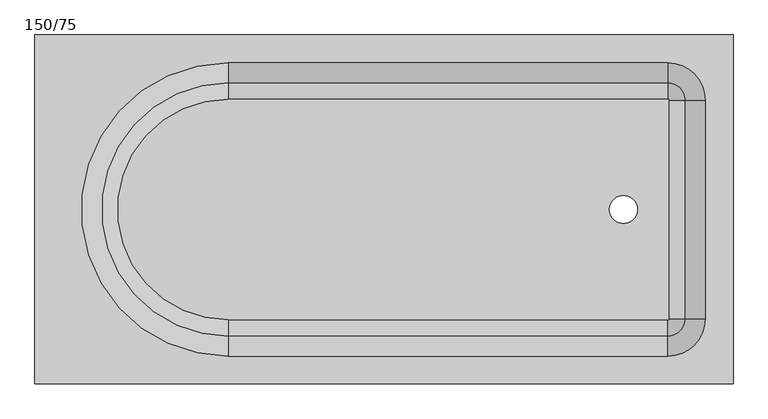
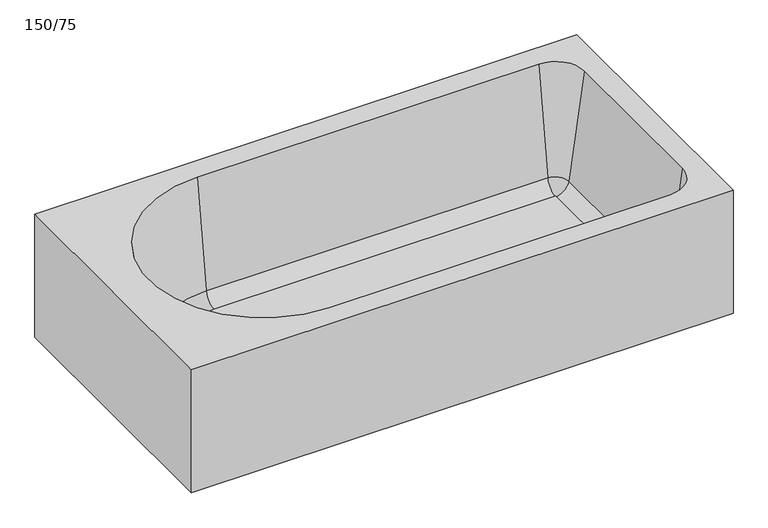
"""IFC4 building model written with IfcOpenShell, lengths in millimetres: flow terminal geometry, 150/75."""

from ifc_helpers import new_model, si_unit, point, frame, origin, place, context, project, spatial, polyline, circle_curve, ellipse_curve, trimmed, source, transform, mapped, element, save
from ifc_brep_helpers import plane_surface, revolved_surface, advanced_brep


def flow_terminal_150_75_c21da9bc(model_context):
    return source(origin(), model_context, "Body", "AdvancedBrep", [
        advanced_brep(
        [(-335.0, -237.1255814, 20.0), (610.0, -237.1255814, 20.0), (612.1255814, -235.0, 20.0), (612.1255814, 235.0, 20.0), (610.0, 237.1255814, 20.0), (-335.0, 237.1255814, 20.0), (544.3337909, 0.0, 20.0), (484.3337909, 0.0, 20.0), (750.0, -375.0, 0.0), (-750.0, -375.0, 0.0), (-750.0, 375.0, 0.0), (750.0, 375.0, 0.0), (484.3337909, 0.0, 0.0), (544.3337909, 0.0, 0.0), (750.0, -375.0, 360.0), (-750.0, -375.0, 360.0), (-750.0, 375.0, 360.0), (750.0, 375.0, 360.0), (-335.0, 315.0, 360.0), (610.0, 315.0, 360.0), (690.0, 235.0, 360.0), (690.0, -235.0, 360.0), (610.0, -315.0, 360.0), (-335.0, -315.0, 360.0), (-335.0, 271.8563387, 53.0168987), (-335.0, -271.8563387, 53.0168987), (610.0, 271.8563387, 53.0168987), (646.8563387, 235.0, 53.0168987), (646.8563387, -235.0, 53.0168987), (610.0, -271.8563387, 53.0168987)],
        [
            (0, 1),
            (1, 2, circle_curve(frame((610.0, -235.0, 20.0), z_axis=(0.0, 0.0, 1.0), x_axis=(1.0, 0.0, 0.0)), 2.1255814)),
            (2, 3),
            (3, 4, circle_curve(frame((610.0, 235.0, 20.0), z_axis=(0.0, 0.0, 1.0), x_axis=(0.0, 1.0, 0.0)), 2.1255814)),
            (4, 5),
            (5, 0, circle_curve(frame((-335.0, 0.0, 20.0), z_axis=(0.0, 0.0, 1.0), x_axis=(0.0, -1.0, 0.0)), 237.1255814)),
            (6, 7, circle_curve(frame((514.3337909, 0.0, 20.0), z_axis=(0.0, 0.0, -1.0), x_axis=(1.0, 0.0, 0.0)), 30.0)),
            (7, 6, circle_curve(frame((514.3337909, 0.0, 20.0), z_axis=(0.0, 0.0, -1.0), x_axis=(1.0, 0.0, 0.0)), 30.0)),
            (8, 9),
            (9, 10),
            (10, 11),
            (11, 8),
            (12, 13, circle_curve(frame((514.3337909, 0.0, 0.0), z_axis=(0.0, 0.0, 1.0), x_axis=(1.0, 0.0, 0.0)), 30.0)),
            (13, 12, circle_curve(frame((514.3337909, 0.0, 0.0), z_axis=(0.0, 0.0, 1.0), x_axis=(1.0, 0.0, 0.0)), 30.0)),
            (8, 14),
            (14, 15),
            (15, 9),
            (15, 16),
            (16, 10),
            (16, 17),
            (17, 11),
            (17, 14),
            (18, 19),
            (19, 20, circle_curve(frame((610.0, 235.0, 360.0), z_axis=(0.0, 0.0, -1.0), x_axis=(0.0, 1.0, 0.0)), 80.0)),
            (20, 21),
            (21, 22, circle_curve(frame((610.0, -235.0, 360.0), z_axis=(0.0, 0.0, -1.0), x_axis=(1.0, 0.0, 0.0)), 80.0)),
            (22, 23),
            (23, 18, circle_curve(frame((-335.0, 0.0, 360.0), z_axis=(0.0, 0.0, -1.0), x_axis=(0.0, -1.0, 0.0)), 315.0)),
            (24, 18),
            (23, 25),
            (25, 24, circle_curve(frame((-335.0, 0.0, 53.0168987), z_axis=(0.0, 0.0, -1.0), x_axis=(0.0, -1.0, 0.0)), 271.8563387)),
            (25, 0, circle_curve(frame((-335.0, -233.6991388, 58.3795434), z_axis=(1.0, 0.0, 0.0), x_axis=(0.0, 1.0, 0.0)), 38.5321925)),
            (5, 24, circle_curve(frame((-335.0, 233.6991388, 58.3795434), z_axis=(1.0, 0.0, 0.0), x_axis=(0.0, -1.0, 0.0)), 38.5321925)),
            (24, 26),
            (26, 19),
            (4, 26, circle_curve(frame((610.0, 233.6991388, 58.3795434), z_axis=(1.0, 0.0, 0.0), x_axis=(0.0, -1.0, 0.0)), 38.5321925)),
            (26, 27, circle_curve(frame((610.0, 235.0, 53.0168987), z_axis=(0.0, 0.0, -1.0), x_axis=(0.0, 1.0, 0.0)), 36.8563387)),
            (27, 20),
            (3, 27, circle_curve(frame((608.6991388, 235.0, 58.3795434), z_axis=(0.0, -1.0, 0.0), x_axis=(-1.0, 0.0, 0.0)), 38.5321925)),
            (27, 28),
            (28, 21),
            (2, 28, circle_curve(frame((608.6991388, -235.0, 58.3795434), z_axis=(0.0, -1.0, 0.0), x_axis=(-1.0, 0.0, 0.0)), 38.5321925)),
            (28, 29, circle_curve(frame((610.0, -235.0, 53.0168987), z_axis=(0.0, 0.0, -1.0), x_axis=(1.0, 0.0, 0.0)), 36.8563387)),
            (29, 22),
            (1, 29, circle_curve(frame((610.0, -233.6991388, 58.3795434), z_axis=(-1.0, 0.0, 0.0), x_axis=(0.0, 1.0, 0.0)), 38.5321925)),
            (29, 25),
            (13, 6),
            (7, 12),
        ],
        [
            plane_surface(frame((-750.0, -375.0, 20.0), z_axis=(0.0, 0.0, 1.0), x_axis=(-1.0, 0.0, 0.0))),
            plane_surface(frame((-750.0, -375.0, 0.0), z_axis=(0.0, 0.0, -1.0), x_axis=(1.0, 0.0, 0.0))),
            plane_surface(frame((750.0, -375.0, 20.0), z_axis=(0.0, -1.0, 0.0), x_axis=(0.0, 0.0, -1.0))),
            plane_surface(frame((-750.0, -375.0, 20.0), z_axis=(-1.0, 0.0, 0.0), x_axis=(0.0, 0.0, -1.0))),
            plane_surface(frame((-750.0, 375.0, 20.0), z_axis=(0.0, 1.0, 0.0), x_axis=(0.0, 0.0, -1.0))),
            plane_surface(frame((750.0, 375.0, 20.0), z_axis=(1.0, 0.0, 0.0), x_axis=(0.0, 0.0, -1.0))),
            plane_surface(frame((-750.0, -375.0, 360.0), z_axis=(0.0, 0.0, 1.0), x_axis=(-1.0, 0.0, 0.0))),
            revolved_surface(polyline([(-335.0, -315.0, 360.0), (-335.0, -271.8563387, 53.0168987)]), (-335.0, 0.0, 0.0), (0.0, 0.0, 1.0)),
            revolved_surface(trimmed(ellipse_curve(frame((-335.0, -233.6991388, 58.3795434), z_axis=(1.0, 0.0, 0.0), x_axis=(0.0, 1.0, 0.0)), 38.5321925, 38.5321925), [point((-335.0, -271.8563387, 53.0168987))], [point((-335.0, -237.1255814, 20.0))], True, "CARTESIAN"), (-335.0, 0.0, 0.0), (0.0, 0.0, 1.0)),
            plane_surface(frame((-335.0, 315.0, 360.0), z_axis=(0.0, -0.9902680687415707, 0.13917310096006275), x_axis=(1.0, 0.0, 0.0))),
            revolved_surface(polyline([(610.0, 195.16694629999998, 58.3795434), (-335.0, 195.16694629999998, 58.3795434)]), (-335.0, 233.6991388, 58.3795434), (1.0, 0.0, 0.0)),
            revolved_surface(polyline([(610.0, 315.0, 360.0), (610.0, 271.8563387, 53.0168987)]), (610.0, 235.0, 0.0), (0.0, 0.0, 1.0)),
            revolved_surface(trimmed(ellipse_curve(frame((610.0, 233.6991388, 58.3795434), z_axis=(-1.0, 0.0, 0.0), x_axis=(0.0, -1.0, 0.0)), 38.5321925, 38.5321925), [point((610.0, 271.8563387, 53.0168987))], [point((610.0, 237.1255814, 20.0))], True, "CARTESIAN"), (610.0, 235.0, 0.0), (0.0, 0.0, 1.0)),
            plane_surface(frame((690.0, 235.0, 360.0), z_axis=(-0.9902680687415707, 0.0, 0.13917310096006275), x_axis=(0.0, -1.0, 0.0))),
            revolved_surface(polyline([(570.1669463000001, -235.0, 58.3795434), (570.1669463000001, 235.0, 58.3795434)]), (608.6991388, 235.0, 58.3795434), (0.0, -1.0, 0.0)),
            revolved_surface(polyline([(690.0, -235.0, 360.0), (646.8563387, -235.0, 53.0168987)]), (610.0, -235.0, 0.0), (0.0, 0.0, 1.0)),
            revolved_surface(trimmed(ellipse_curve(frame((608.6991388, -235.0, 58.3795434), z_axis=(0.0, 1.0, 0.0), x_axis=(-1.0, 0.0, 0.0)), 38.5321925, 38.5321925), [point((646.8563387, -235.0, 53.0168987))], [point((612.1255814, -235.0, 20.0))], True, "CARTESIAN"), (610.0, -235.0, 0.0), (0.0, 0.0, 1.0)),
            plane_surface(frame((610.0, -315.0, 360.0), z_axis=(0.0, 0.9902680687415707, 0.13917310096006275), x_axis=(-1.0, 0.0, 0.0))),
            revolved_surface(polyline([(-335.0, -195.16694629999998, 58.3795434), (610.0, -195.16694629999998, 58.3795434)]), (610.0, -233.6991388, 58.3795434), (-1.0, 0.0, 0.0)),
            revolved_surface(polyline([(544.3337909, 0.0, 20.0), (544.3337909, 0.0, 0.0)]), (514.3337909, 0.0, 0.0), (0.0, 0.0, 1.0)),
        ],
        [
            (0, [[1, 2, 3, 4, 5, 6], [7, 8]]),
            (1, [[9, 10, 11, 12], [13, 14]]),
            (2, [[15, 16, 17, -9]]),
            (3, [[-17, 18, 19, -10]]),
            (4, [[-19, 20, 21, -11]]),
            (5, [[-21, 22, -15, -12]]),
            (6, [[-22, -20, -18, -16], [23, 24, 25, 26, 27, 28]]),
            (7, [[29, -28, 30, 31]]),
            (8, [[32, -6, 33, -31]]),
            (9, [[34, 35, -23, -29]]),
            (10, [[-5, 36, -34, -33]]),
            (11, [[37, 38, -24, -35]]),
            (12, [[-4, 39, -37, -36]]),
            (13, [[40, 41, -25, -38]]),
            (14, [[-3, 42, -40, -39]]),
            (15, [[43, 44, -26, -41]]),
            (16, [[-2, 45, -43, -42]]),
            (17, [[-27, -44, 46, -30]]),
            (18, [[-46, -45, -1, -32]]),
            (19, [[-14, 47, -8, 48]]),
            (19, [[-7, -47, -13, -48]]),
        ],
    ),
    ])


if __name__ == "__main__":
    model = new_model("IFC4")
    model_context = context("Model", 3, world=origin())
    ifc_project = project(units=[si_unit("LENGTHUNIT", "METRE", prefix="MILLI")], contexts=[model_context])
    site = spatial("IfcSite", under=ifc_project)
    building = spatial("IfcBuilding", under=site)
    placement = place(None, origin())
    flow_terminal_150_75_shape = flow_terminal_150_75_c21da9bc(model_context)
    element("IfcFlowTerminal", 1, ObjectType="150/75", at=placement, inside=building, context=model_context, shape_type="MappedRepresentation", body=[
        mapped(flow_terminal_150_75_shape, transform((0.0, 0.0, 0.0), x_axis=(1.0, 0.0, 0.0), y_axis=(0.0, 1.0, 0.0), z_axis=(0.0, 0.0, 1.0))),
    ])
    save(model, "model.ifc")
